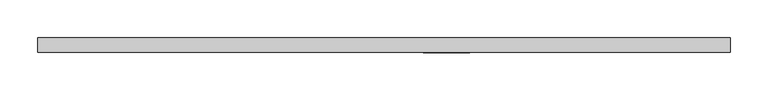
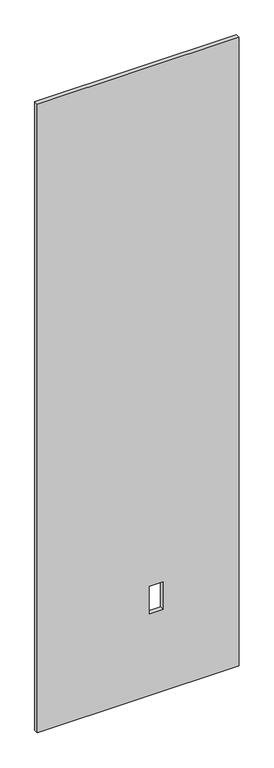
"""IFC4 building model written with IfcOpenShell, lengths in millimetres: proxy geometry."""

from ifc_helpers import new_model, si_unit, frame, origin, place, context, project, spatial, polyline, outline, extrude, source, transform, mapped, element, save


def specialty_equipment_d3480eea(model_context):
    return source(origin(), model_context, "Body", "SweptSolid", [
        extrude(outline(polyline([(2999.5368001, 455.3204), (2999.5368001, -455.3204), (3.175, -455.3204), (3.175, 455.3204), (2999.5368001, 455.3204)]), holes=[polyline([(522.478, 112.8268), (391.922, 112.8268), (391.922, 51.3588), (522.478, 51.3588), (522.478, 112.8268)])]), frame((0.0, -9.525, 0.0), z_axis=(0.0, 1.0, 0.0), x_axis=(0.0, 0.0, 1.0)), (0.0, 0.0, 1.0), 19.05),
    ])


if __name__ == "__main__":
    model = new_model("IFC4")
    model_context = context("Model", 3, world=origin())
    ifc_project = project(units=[si_unit("LENGTHUNIT", "METRE", prefix="MILLI")], contexts=[model_context])
    site = spatial("IfcSite", under=ifc_project)
    building = spatial("IfcBuilding", under=site)
    placement = place(None, origin())
    specialty_equipment_shape = specialty_equipment_d3480eea(model_context)
    element("IfcBuildingElementProxy", 1, Name="Specialty Equipment", at=placement, inside=building, context=model_context, shape_type="MappedRepresentation", body=[
        mapped(specialty_equipment_shape, transform((0.0, 0.0, 0.0), x_axis=(1.0, 0.0, 0.0), y_axis=(0.0, 1.0, 0.0), z_axis=(0.0, 0.0, 1.0))),
    ])
    save(model, "model.ifc")
